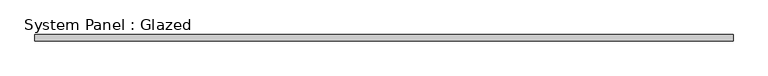
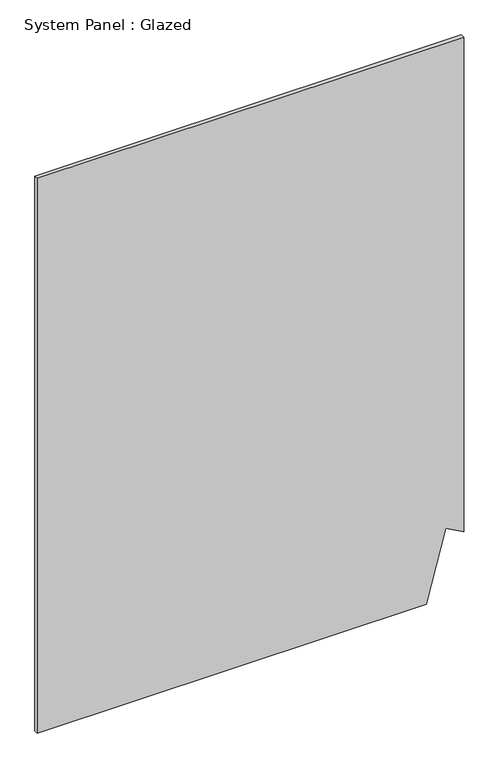
"""IFC4 building model written with IfcOpenShell, lengths in millimetres: plate geometry, System Panel : Glazed."""

from ifc_helpers import new_model, si_unit, frame, origin, place, context, project, spatial, polyline, outline, extrude, source, transform, mapped, element, save


def system_panel_glazed_bfe9fa88(model_context):
    return source(origin(), model_context, "Body", "SweptSolid", [
        extrude(outline(polyline([(0.0, -1400.0), (0.0, 1154.3355175), (482.1176164, 1283.5185434), (417.4128551, 1400.0), (3850.0, 1400.0), (3850.0, -1400.0), (0.0, -1400.0)])), frame((0.0, -2.5, 0.0), z_axis=(0.0, 1.0, 0.0), x_axis=(0.0, 0.0, 1.0)), (0.0, 0.0, 1.0), 25.0),
    ])


if __name__ == "__main__":
    model = new_model("IFC4")
    model_context = context("Model", 3, world=origin())
    ifc_project = project(units=[si_unit("LENGTHUNIT", "METRE", prefix="MILLI")], contexts=[model_context])
    site = spatial("IfcSite", under=ifc_project)
    building = spatial("IfcBuilding", under=site)
    placement = place(None, origin())
    system_panel_glazed_shape = system_panel_glazed_bfe9fa88(model_context)
    element("IfcPlate", 1, ObjectType="System Panel : Glazed", at=placement, inside=building, context=model_context, shape_type="MappedRepresentation", body=[
        mapped(system_panel_glazed_shape, transform((0.0, 0.0, 0.0), x_axis=(1.0, 0.0, 0.0), y_axis=(0.0, 1.0, 0.0), z_axis=(0.0, 0.0, 1.0))),
    ])
    save(model, "model.ifc")
